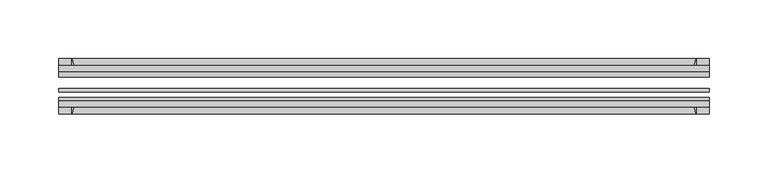
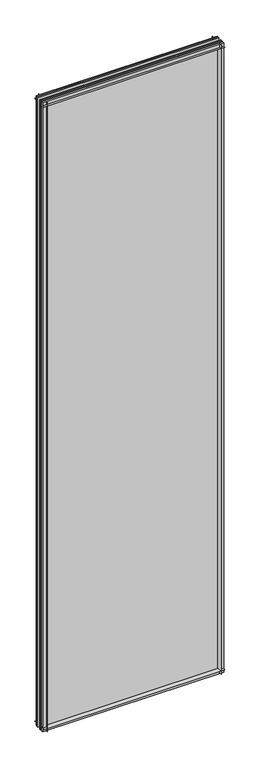
"""IFC4 building model written with IfcOpenShell, lengths in millimetres: plate geometry."""

from ifc_helpers import new_model, si_unit, point, frame, frame_2d, origin, place, context, project, spatial, polyline, circle_curve, trimmed, segment, composite_curve, outline, extrude, source, transform, mapped, element, save


def plate_af9d2070(model_context):
    return source(origin(), model_context, "Body", "SweptSolid", [
        extrude(outline(composite_curve([segment(polyline([(-74.653775, 0.0), (-80.586498, 0.0)]), True, "CONTINUOUS"), segment(trimmed(circle_curve(frame_2d((-86.2543953, 32.273404)), 32.7673262), [point((-80.586498, 0.0))], [point((-69.878575, 3.8915405))], True, "CARTESIAN"), True, "CONTINUOUS"), segment(polyline([(-69.878575, 3.8915405), (-69.878575, -10.31875), (-74.653775, -10.31875), (-74.653775, 0.0)]), True, "CONTINUOUS")], self_intersect=False)), frame((-249.190813, 0.0, 0.0), z_axis=(1.0, 0.0, 0.0), x_axis=(0.0, 1.0, 0.0)), (0.0, 0.0, 1.0), 552.3566259),
        extrude(outline(composite_curve([segment(polyline([(-44.478575, -10.31875), (-44.478575, 3.8915405)]), True, "CONTINUOUS"), segment(trimmed(circle_curve(frame_2d((-28.1027547, 32.273404)), 32.7673262), [point((-44.478575, 3.8915405))], [point((-33.770652, 0.0))], True, "CARTESIAN"), True, "CONTINUOUS"), segment(polyline([(-33.770652, 0.0), (-39.703375, 0.0), (-39.703375, -10.31875), (-44.478575, -10.31875)]), True, "CONTINUOUS")], self_intersect=False)), frame((-249.190813, 0.0, 0.0), z_axis=(1.0, 0.0, 0.0), x_axis=(0.0, 1.0, 0.0)), (0.0, 0.0, 1.0), 552.3566259),
        extrude(outline(composite_curve([segment(trimmed(circle_curve(frame_2d((-86.2543953, 1977.495246)), 32.7673262), [point((-69.878575, 2005.8771095))], [point((-80.622775, 2009.775))], True, "CARTESIAN"), True, "CONTINUOUS"), segment(polyline([(-80.622775, 2009.775), (-74.653775, 2009.775), (-74.653775, 2020.8875), (-69.878575, 2020.8875), (-69.878575, 2005.8771095)]), True, "CONTINUOUS")], self_intersect=False)), frame((-249.190813, 0.0, 0.0), z_axis=(1.0, 0.0, 0.0), x_axis=(0.0, 1.0, 0.0)), (0.0, 0.0, 1.0), 552.3566259),
        extrude(outline(composite_curve([segment(polyline([(-44.478575, 2005.8771095), (-44.478575, 2020.8875), (-39.703375, 2020.8875), (-39.703375, 2009.775), (-33.734375, 2009.775)]), True, "CONTINUOUS"), segment(trimmed(circle_curve(frame_2d((-28.1027547, 1977.495246)), 32.7673262), [point((-33.734375, 2009.775))], [point((-44.478575, 2005.8771095))], True, "CARTESIAN"), True, "CONTINUOUS")], self_intersect=False)), frame((-249.190813, 0.0, 0.0), z_axis=(1.0, 0.0, 0.0), x_axis=(0.0, 1.0, 0.0)), (0.0, 0.0, 1.0), 552.3566259),
        extrude(outline(composite_curve([segment(polyline([(288.1554224, -69.878575), (303.165813, -69.878575), (303.165813, -74.653775), (292.053313, -74.653775), (292.053313, -80.622775)]), True, "CONTINUOUS"), segment(trimmed(circle_curve(frame_2d((259.773559, -86.2543953)), 32.7673262), [point((292.053313, -80.622775))], [point((288.1554224, -69.878575))], True, "CARTESIAN"), True, "CONTINUOUS")], self_intersect=False)), frame((0.0, 0.0, -10.31875), z_axis=(0.0, 0.0, 1.0), x_axis=(1.0, 0.0, 0.0)), (0.0, 0.0, 1.0), 2031.20625),
        extrude(outline(composite_curve([segment(trimmed(circle_curve(frame_2d((259.773559, -28.1027547)), 32.7673262), [point((288.1554224, -44.478575))], [point((292.053313, -33.734375))], True, "CARTESIAN"), True, "CONTINUOUS"), segment(polyline([(292.053313, -33.734375), (292.053313, -39.703375), (303.165813, -39.703375), (303.165813, -44.478575), (288.1554224, -44.478575)]), True, "CONTINUOUS")], self_intersect=False)), frame((0.0, 0.0, -10.31875), z_axis=(0.0, 0.0, 1.0), x_axis=(1.0, 0.0, 0.0)), (0.0, 0.0, 1.0), 2031.20625),
        extrude(outline(composite_curve([segment(trimmed(circle_curve(frame_2d((-205.798559, -86.2543953)), 32.7673262), [point((-234.1804224, -69.878575))], [point((-238.078313, -80.622775))], True, "CARTESIAN"), True, "CONTINUOUS"), segment(polyline([(-238.078313, -80.622775), (-238.078313, -74.653775), (-249.190813, -74.653775), (-249.190813, -69.878575), (-234.1804224, -69.878575)]), True, "CONTINUOUS")], self_intersect=False)), frame((0.0, 0.0, -10.31875), z_axis=(0.0, 0.0, 1.0), x_axis=(1.0, 0.0, 0.0)), (0.0, 0.0, 1.0), 2031.20625),
        extrude(outline(composite_curve([segment(polyline([(-234.1804224, -44.478575), (-249.190813, -44.478575), (-249.190813, -39.703375), (-238.078313, -39.703375), (-238.078313, -33.734375)]), True, "CONTINUOUS"), segment(trimmed(circle_curve(frame_2d((-205.798559, -28.1027547)), 32.7673262), [point((-238.078313, -33.734375))], [point((-234.1804224, -44.478575))], True, "CARTESIAN"), True, "CONTINUOUS")], self_intersect=False)), frame((0.0, 0.0, -10.31875), z_axis=(0.0, 0.0, 1.0), x_axis=(1.0, 0.0, 0.0)), (0.0, 0.0, 1.0), 2031.20625),
        extrude(outline(polyline([(-249.190813, -44.478575), (303.165813, -44.478575), (303.165813, -49.241075), (-249.190813, -49.241075), (-249.190813, -44.478575)])), frame((0.0, 0.0, -10.31875), z_axis=(0.0, 0.0, 1.0), x_axis=(1.0, 0.0, 0.0)), (0.0, 0.0, 1.0), 2031.20625),
        extrude(outline(polyline([(303.165813, -58.956575), (303.165813, -62.131575), (-249.190813, -62.131575), (-249.190813, -58.956575), (303.165813, -58.956575)])), frame((0.0, 0.0, -10.31875), z_axis=(0.0, 0.0, 1.0), x_axis=(1.0, 0.0, 0.0)), (0.0, 0.0, 1.0), 2031.20625),
        extrude(outline(polyline([(-249.190813, -66.703575), (303.165813, -66.703575), (303.165813, -69.878575), (-249.190813, -69.878575), (-249.190813, -66.703575)])), frame((0.0, 0.0, -10.31875), z_axis=(0.0, 0.0, 1.0), x_axis=(1.0, 0.0, 0.0)), (0.0, 0.0, 1.0), 2031.20625),
    ])


if __name__ == "__main__":
    model = new_model("IFC4")
    model_context = context("Model", 3, world=origin())
    ifc_project = project(units=[si_unit("LENGTHUNIT", "METRE", prefix="MILLI")], contexts=[model_context])
    site = spatial("IfcSite", under=ifc_project)
    building = spatial("IfcBuilding", under=site)
    placement = place(None, origin())
    plate_shape = plate_af9d2070(model_context)
    element("IfcPlate", 1, at=placement, inside=building, context=model_context, shape_type="MappedRepresentation", body=[
        mapped(plate_shape, transform((0.0, 0.0, 0.0), x_axis=(1.0, 0.0, 0.0), y_axis=(0.0, 1.0, 0.0), z_axis=(0.0, 0.0, 1.0))),
    ])
    save(model, "model.ifc")
